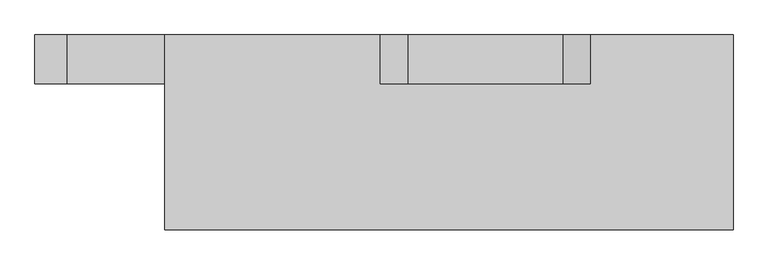
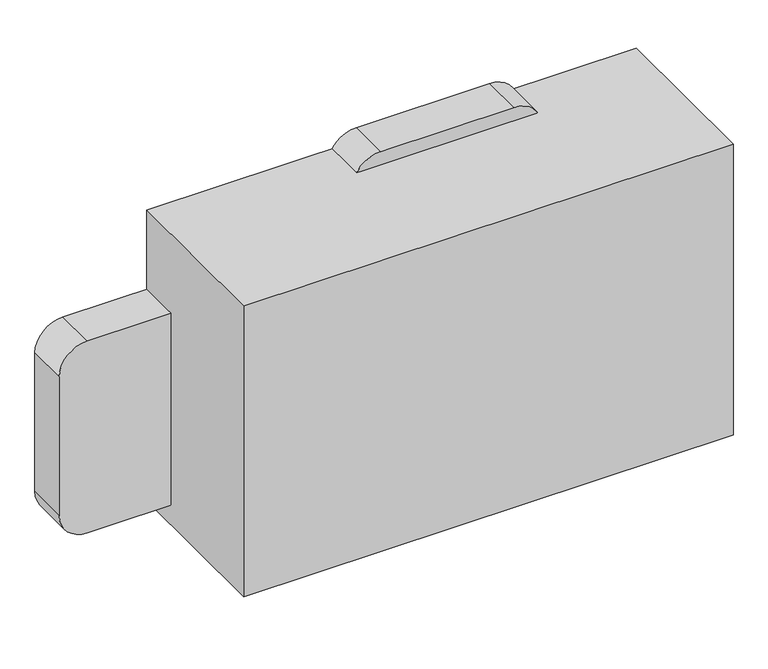
"""IFC4 building model written with IfcOpenShell, lengths in millimetres: proxy geometry."""

from ifc_helpers import new_model, si_unit, point, frame, frame_2d, origin, origin_with_axes, place, context, project, spatial, polyline, circle_curve, trimmed, segment, composite_curve, outline, extrude, source, transform, mapped, element, save


def specialty_equipment_62a267a2(model_context):
    return source(origin(), model_context, "Body", "SweptSolid", [
        extrude(outline(composite_curve([segment(trimmed(circle_curve(frame_2d((533.4, 177.8)), 50.8), [point((533.4, 228.6))], [point((584.2, 177.8))], False, "CARTESIAN"), True, "CONTINUOUS"), segment(polyline([(584.2, 177.8), (584.2, -63.5)]), True, "CONTINUOUS"), segment(trimmed(circle_curve(frame_2d((533.4, -63.5)), 50.8), [point((584.2, -63.5))], [point((533.4, -114.3))], False, "CARTESIAN"), True, "CONTINUOUS"), segment(polyline([(533.4, -114.3), (457.2, -114.3)]), True, "CONTINUOUS"), segment(trimmed(circle_curve(frame_2d((457.2, -165.1)), 50.8), [point((457.2, -114.3))], [point((406.4, -165.1))], True, "CARTESIAN"), True, "CONTINUOUS"), segment(polyline([(406.4, -165.1), (406.4, -596.9)]), True, "CONTINUOUS"), segment(trimmed(circle_curve(frame_2d((355.6, -596.9)), 50.8), [point((406.4, -596.9))], [point((355.6, -647.7))], False, "CARTESIAN"), True, "CONTINUOUS"), segment(polyline([(355.6, -647.7), (88.9, -647.7)]), True, "CONTINUOUS"), segment(trimmed(circle_curve(frame_2d((88.9, -596.9)), 50.8), [point((88.9, -647.7))], [point((38.1, -596.9))], False, "CARTESIAN"), True, "CONTINUOUS"), segment(polyline([(38.1, -596.9), (38.1, 177.8)]), True, "CONTINUOUS"), segment(trimmed(circle_curve(frame_2d((88.9, 177.8)), 50.8), [point((38.1, 177.8))], [point((88.9, 228.6))], False, "CARTESIAN"), True, "CONTINUOUS"), segment(polyline([(88.9, 228.6), (533.4, 228.6)]), True, "CONTINUOUS")], self_intersect=False)), frame((0.0, 228.6, 0.0), z_axis=(0.0, 1.0, 0.0), x_axis=(0.0, 0.0, 1.0)), (0.0, 0.0, 1.0), 76.2),
        extrude(outline(polyline([(444.5, 304.8), (444.5, 0.0), (-444.5, 0.0), (-444.5, 304.8), (444.5, 304.8)])), origin_with_axes(), (0.0, 0.0, 1.0), 558.8),
    ])


if __name__ == "__main__":
    model = new_model("IFC4")
    model_context = context("Model", 3, world=origin())
    ifc_project = project(units=[si_unit("LENGTHUNIT", "METRE", prefix="MILLI")], contexts=[model_context])
    site = spatial("IfcSite", under=ifc_project)
    building = spatial("IfcBuilding", under=site)
    placement = place(None, origin())
    specialty_equipment_shape = specialty_equipment_62a267a2(model_context)
    element("IfcBuildingElementProxy", 1, Name="Specialty Equipment", at=placement, inside=building, context=model_context, shape_type="MappedRepresentation", body=[
        mapped(specialty_equipment_shape, transform((0.0, 0.0, 0.0), x_axis=(1.0, 0.0, 0.0), y_axis=(0.0, 1.0, 0.0), z_axis=(0.0, 0.0, 1.0))),
    ])
    save(model, "model.ifc")
